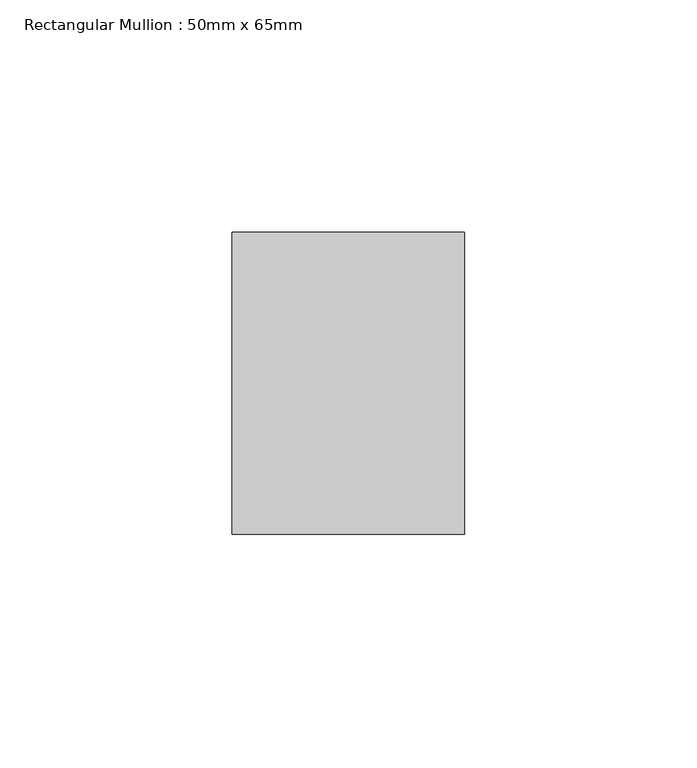
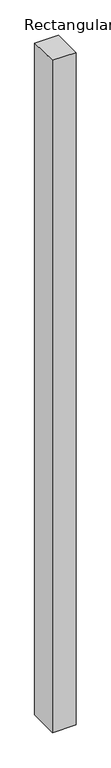
"""IFC4 building model written with IfcOpenShell, lengths in millimetres: member geometry, Rectangular Mullion : 50mm x 65mm."""

from ifc_helpers import new_model, si_unit, origin, place, context, project, spatial, faceted_brep, source, transform, mapped, element, save


def rectangular_mullion_50mm_x_65mm_c7d91acd(model_context):
    return source(origin(), model_context, "Body", "Brep", [
        faceted_brep([(-25.0, 32.5, -0.4073259), (25.0, 32.5, -0.4073266), (25.0, 32.5, -1499.6942599), (-25.0, 32.5, -1499.6942603), (-25.0, -32.5, 0.4073266), (-25.0, -32.5, -1500.3057082), (25.0, -32.5, 0.4073259), (25.0, -32.5, -1500.3057078)], [[[0, 1, 2, 3]], [[4, 0, 3, 5]], [[6, 4, 5, 7]], [[1, 6, 7, 2]], [[1, 0, 4, 6]], [[2, 7, 5, 3]]]),
    ])


if __name__ == "__main__":
    model = new_model("IFC4")
    model_context = context("Model", 3, world=origin())
    ifc_project = project(units=[si_unit("LENGTHUNIT", "METRE", prefix="MILLI")], contexts=[model_context])
    site = spatial("IfcSite", under=ifc_project)
    building = spatial("IfcBuilding", under=site)
    placement = place(None, origin())
    rectangular_mullion_50mm_x_65mm_shape = rectangular_mullion_50mm_x_65mm_c7d91acd(model_context)
    element("IfcMember", 1, ObjectType="Rectangular Mullion : 50mm x 65mm", at=placement, inside=building, context=model_context, shape_type="MappedRepresentation", body=[
        mapped(rectangular_mullion_50mm_x_65mm_shape, transform((0.0, 0.0, 0.0), x_axis=(1.0, 0.0, 0.0), y_axis=(0.0, 1.0, 0.0), z_axis=(0.0, 0.0, 1.0))),
    ])
    save(model, "model.ifc")
